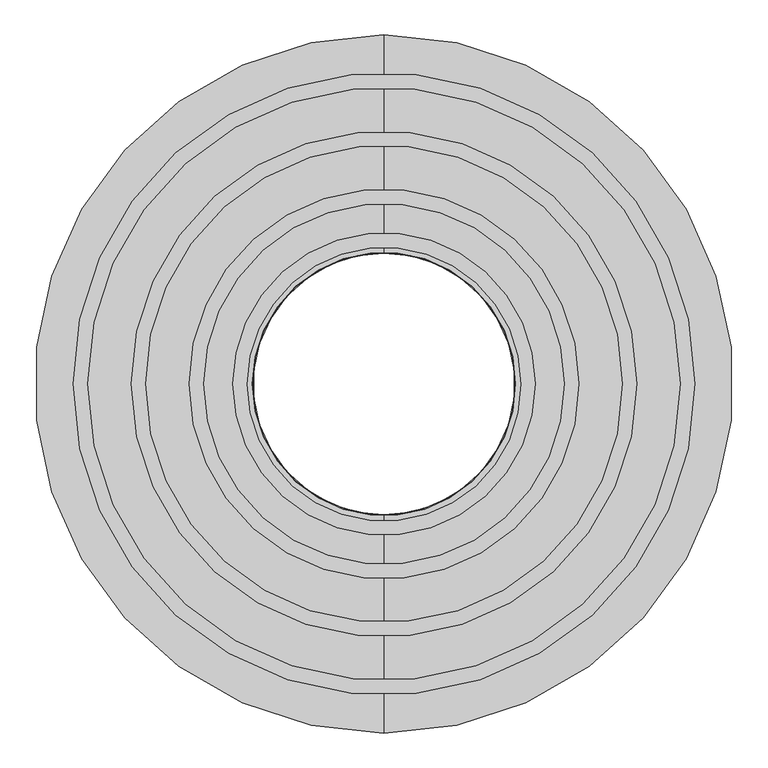
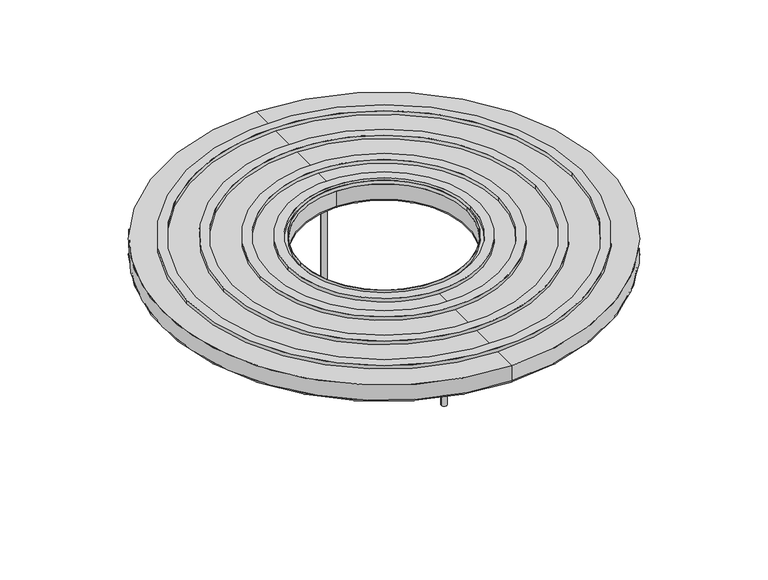
"""IFC4 building model written with IfcOpenShell, lengths in millimetres: furniture geometry."""

from ifc_helpers import new_model, si_unit, point, frame, frame_2d, origin, origin_with_axes, origin_2d, place, context, project, spatial, polyline, circle_curve, ellipse_curve, trimmed, segment, composite_curve, outline, extrude, source, transform, mapped, element, save
from ifc_brep_helpers import plane_surface, cylinder_surface, revolved_surface, advanced_brep


def furniture_a6ca1c2c(model_context):
    return source(origin(), model_context, "Body", "SolidModel", [
        extrude(outline(composite_curve([segment(trimmed(circle_curve(origin_2d(), 534.3876113), [point((-534.3876113, 0.0))], [point((534.3876113, 0.0))], False, "CARTESIAN"), True, "CONTINUOUS"), segment(trimmed(circle_curve(origin_2d(), 534.3876113), [point((534.3876113, 0.0))], [point((-534.3876113, 0.0))], False, "CARTESIAN"), True, "CONTINUOUS")], self_intersect=False), holes=[composite_curve([segment(trimmed(circle_curve(origin_2d(), 509.2726287), [point((-509.2726287, 0.0))], [point((509.2726287, 0.0))], True, "CARTESIAN"), True, "CONTINUOUS"), segment(trimmed(circle_curve(origin_2d(), 509.2726287), [point((509.2726287, 0.0))], [point((-509.2726287, 0.0))], True, "CARTESIAN"), True, "CONTINUOUS")], self_intersect=False)]), frame((0.0, 0.0, 303.784), z_axis=(0.0, 0.0, 1.0), x_axis=(1.0, 0.0, 0.0)), (0.0, 0.0, 1.0), 10.16),
        extrude(outline(composite_curve([segment(trimmed(circle_curve(origin_2d(), 434.2718279), [point((-434.2718279, 0.0))], [point((434.2718279, 0.0))], False, "CARTESIAN"), True, "CONTINUOUS"), segment(trimmed(circle_curve(origin_2d(), 434.2718279), [point((434.2718279, 0.0))], [point((-434.2718279, 0.0))], False, "CARTESIAN"), True, "CONTINUOUS")], self_intersect=False), holes=[composite_curve([segment(trimmed(circle_curve(origin_2d(), 409.5810335), [point((-409.5810335, 0.0))], [point((409.5810335, 0.0))], True, "CARTESIAN"), True, "CONTINUOUS"), segment(trimmed(circle_curve(origin_2d(), 409.5810335), [point((409.5810335, 0.0))], [point((-409.5810335, 0.0))], True, "CARTESIAN"), True, "CONTINUOUS")], self_intersect=False)]), frame((0.0, 0.0, 303.784), z_axis=(0.0, 0.0, 1.0), x_axis=(1.0, 0.0, 0.0)), (0.0, 0.0, 1.0), 10.16),
        extrude(outline(composite_curve([segment(trimmed(circle_curve(origin_2d(), 334.8175195), [point((-334.8175195, 0.0))], [point((334.8175195, 0.0))], False, "CARTESIAN"), True, "CONTINUOUS"), segment(trimmed(circle_curve(origin_2d(), 334.8175195), [point((334.8175195, 0.0))], [point((-334.8175195, 0.0))], False, "CARTESIAN"), True, "CONTINUOUS")], self_intersect=False), holes=[composite_curve([segment(trimmed(circle_curve(origin_2d(), 309.7372415), [point((-309.7372415, 0.0))], [point((309.7372415, 0.0))], True, "CARTESIAN"), True, "CONTINUOUS"), segment(trimmed(circle_curve(origin_2d(), 309.7372415), [point((309.7372415, 0.0))], [point((-309.7372415, 0.0))], True, "CARTESIAN"), True, "CONTINUOUS")], self_intersect=False)]), frame((0.0, 0.0, 303.784), z_axis=(0.0, 0.0, 1.0), x_axis=(1.0, 0.0, 0.0)), (0.0, 0.0, 1.0), 10.16),
        extrude(outline(composite_curve([segment(trimmed(circle_curve(origin_2d(), 259.656326), [point((-259.656326, 0.0))], [point((259.656326, 0.0))], False, "CARTESIAN"), True, "CONTINUOUS"), segment(trimmed(circle_curve(origin_2d(), 259.656326), [point((259.656326, 0.0))], [point((-259.656326, 0.0))], False, "CARTESIAN"), True, "CONTINUOUS")], self_intersect=False), holes=[composite_curve([segment(trimmed(circle_curve(frame_2d((0.2368265, -0.7227263)), 235.0), [point((235.2368265, -0.7227263))], [point((-234.7631735, -0.7227263))], True, "CARTESIAN"), True, "CONTINUOUS"), segment(trimmed(circle_curve(frame_2d((0.2368265, -0.7227263)), 235.0), [point((-234.7631735, -0.7227263))], [point((235.2368265, -0.7227263))], True, "CARTESIAN"), True, "CONTINUOUS")], self_intersect=False)]), frame((0.0, 0.0, 303.784), z_axis=(0.0, 0.0, 1.0), x_axis=(1.0, 0.0, 0.0)), (0.0, 0.0, 1.0), 10.16),
        extrude(outline(composite_curve([segment(trimmed(circle_curve(origin_2d(), 226.0), [point((-226.0, 0.0))], [point((226.0, 0.0))], False, "CARTESIAN"), True, "CONTINUOUS"), segment(trimmed(circle_curve(origin_2d(), 226.0), [point((226.0, 0.0))], [point((-226.0, 0.0))], False, "CARTESIAN"), True, "CONTINUOUS")], self_intersect=False), holes=[composite_curve([segment(trimmed(circle_curve(origin_2d(), 225.0), [point((-225.0, 0.0))], [point((225.0, 0.0))], True, "CARTESIAN"), True, "CONTINUOUS"), segment(trimmed(circle_curve(origin_2d(), 225.0), [point((225.0, 0.0))], [point((-225.0, 0.0))], True, "CARTESIAN"), True, "CONTINUOUS")], self_intersect=False)]), frame((0.0, 0.0, 303.784), z_axis=(0.0, 0.0, 1.0), x_axis=(1.0, 0.0, 0.0)), (0.0, 0.0, 1.0), 10.16),
        extrude(outline(composite_curve([segment(trimmed(circle_curve(frame_2d((282.194, 0.0)), 7.62), [point((282.194, 7.62))], [point((282.194, -7.62))], False, "CARTESIAN"), True, "CONTINUOUS"), segment(trimmed(circle_curve(frame_2d((282.194, 0.0)), 7.62), [point((282.194, -7.62))], [point((282.194, 7.62))], False, "CARTESIAN"), True, "CONTINUOUS")], self_intersect=False)), origin_with_axes(), (0.0, 0.0, 1.0), 256.54),
        extrude(outline(composite_curve([segment(trimmed(circle_curve(frame_2d((0.0, -282.194)), 7.62), [point((7.62, -282.194))], [point((-7.62, -282.194))], False, "CARTESIAN"), True, "CONTINUOUS"), segment(trimmed(circle_curve(frame_2d((0.0, -282.194)), 7.62), [point((-7.62, -282.194))], [point((7.62, -282.194))], False, "CARTESIAN"), True, "CONTINUOUS")], self_intersect=False)), origin_with_axes(), (0.0, 0.0, 1.0), 256.54),
        extrude(outline(composite_curve([segment(trimmed(circle_curve(frame_2d((-282.194, 0.0)), 7.62), [point((-282.194, -7.62))], [point((-282.194, 7.62))], False, "CARTESIAN"), True, "CONTINUOUS"), segment(trimmed(circle_curve(frame_2d((-282.194, 0.0)), 7.62), [point((-282.194, 7.62))], [point((-282.194, -7.62))], False, "CARTESIAN"), True, "CONTINUOUS")], self_intersect=False)), origin_with_axes(), (0.0, 0.0, 1.0), 256.54),
        advanced_brep(
        [(0.0, -225.044, 260.35), (0.0, 225.044, 260.35), (0.0, 225.044, 303.784), (0.0, -225.044, 303.784), (0.0, -231.394, 254.0), (0.0, 231.394, 254.0), (0.0, -593.598, 254.0), (0.0, 593.598, 254.0), (0.0, -599.948, 260.35), (0.0, 599.948, 260.35), (0.0, -599.948, 303.784), (0.0, 599.948, 303.784)],
        [
            (0, 1, circle_curve(frame((0.0, 0.0, 260.35), z_axis=(0.0, 0.0, -1.0), x_axis=(0.0, 1.0, 0.0)), 225.044)),
            (1, 2),
            (2, 3, circle_curve(frame((0.0, 0.0, 303.784), z_axis=(0.0, 0.0, 1.0), x_axis=(0.0, 1.0, 0.0)), 225.044)),
            (3, 0),
            (1, 0, circle_curve(frame((0.0, 0.0, 260.35), z_axis=(0.0, 0.0, -1.0), x_axis=(0.0, 1.0, 0.0)), 225.044)),
            (3, 2, circle_curve(frame((0.0, 0.0, 303.784), z_axis=(0.0, 0.0, 1.0), x_axis=(0.0, 1.0, 0.0)), 225.044)),
            (4, 5, circle_curve(frame((0.0, 0.0, 254.0), z_axis=(0.0, 0.0, -1.0), x_axis=(0.0, 1.0, 0.0)), 231.394)),
            (5, 1, circle_curve(frame((0.0, 231.394, 260.35), z_axis=(-1.0, 0.0, 0.0), x_axis=(0.0, 1.0, 0.0)), 6.35)),
            (0, 4, circle_curve(frame((0.0, -231.394, 260.35), z_axis=(-1.0, 0.0, 0.0), x_axis=(0.0, -1.0, 0.0)), 6.35)),
            (5, 4, circle_curve(frame((0.0, 0.0, 254.0), z_axis=(0.0, 0.0, -1.0), x_axis=(0.0, 1.0, 0.0)), 231.394)),
            (6, 7, circle_curve(frame((0.0, 0.0, 254.0), z_axis=(0.0, 0.0, -1.0), x_axis=(0.0, 1.0, 0.0)), 593.598)),
            (7, 5),
            (4, 6),
            (7, 6, circle_curve(frame((0.0, 0.0, 254.0), z_axis=(0.0, 0.0, -1.0), x_axis=(0.0, 1.0, 0.0)), 593.598)),
            (8, 9, circle_curve(frame((0.0, 0.0, 260.35), z_axis=(0.0, 0.0, -1.0), x_axis=(0.0, 1.0, 0.0)), 599.948)),
            (9, 7, circle_curve(frame((0.0, 593.598, 260.35), z_axis=(-1.0, 0.0, 0.0), x_axis=(0.0, 1.0, 0.0)), 6.35)),
            (6, 8, circle_curve(frame((0.0, -593.598, 260.35), z_axis=(-1.0, 0.0, 0.0), x_axis=(0.0, -1.0, 0.0)), 6.35)),
            (9, 8, circle_curve(frame((0.0, 0.0, 260.35), z_axis=(0.0, 0.0, -1.0), x_axis=(0.0, 1.0, 0.0)), 599.948)),
            (10, 11, circle_curve(frame((0.0, 0.0, 303.784), z_axis=(0.0, 0.0, -1.0), x_axis=(0.0, 1.0, 0.0)), 599.948)),
            (11, 9),
            (8, 10),
            (11, 10, circle_curve(frame((0.0, 0.0, 303.784), z_axis=(0.0, 0.0, -1.0), x_axis=(0.0, 1.0, 0.0)), 599.948)),
            (2, 11),
            (10, 3),
        ],
        [
            revolved_surface(polyline([(0.0, 225.044, 303.784), (0.0, 225.044, 260.35)]), (0.0, 0.0, 633.984), (0.0, 0.0, 1.0)),
            revolved_surface(trimmed(ellipse_curve(frame((0.0, 231.394, 260.35), z_axis=(1.0, 0.0, 0.0), x_axis=(0.0, 1.0, 0.0)), 6.35, 6.35), [point((0.0, 225.044, 260.35))], [point((0.0, 231.394, 254.0))], True, "CARTESIAN"), (0.0, 0.0, 633.984), (0.0, 0.0, 1.0)),
            plane_surface(frame((0.0, 0.0, 254.0), z_axis=(0.0, 0.0, -1.0), x_axis=(0.0, 1.0, 0.0))),
            revolved_surface(trimmed(ellipse_curve(frame((0.0, 593.598, 260.35), z_axis=(1.0, 0.0, 0.0), x_axis=(0.0, 1.0, 0.0)), 6.35, 6.35), [point((0.0, 593.598, 254.0))], [point((0.0, 599.948, 260.35))], True, "CARTESIAN"), (0.0, 0.0, 633.984), (0.0, 0.0, 1.0)),
            cylinder_surface(frame((0.0, 0.0, 633.984), z_axis=(0.0, 0.0, 1.0), x_axis=(0.0, 1.0, 0.0)), 599.948),
            plane_surface(frame((0.0, 0.0, 303.784), z_axis=(0.0, 0.0, 1.0), x_axis=(0.0, 1.0, 0.0))),
        ],
        [
            (0, [[1, 2, 3, 4]]),
            (0, [[5, -4, 6, -2]]),
            (1, [[7, 8, -1, 9]]),
            (1, [[10, -9, -5, -8]]),
            (2, [[11, 12, -7, 13]]),
            (2, [[14, -13, -10, -12]]),
            (3, [[15, 16, -11, 17]]),
            (3, [[18, -17, -14, -16]]),
            (4, [[19, 20, -15, 21]]),
            (4, [[22, -21, -18, -20]]),
            (5, [[-3, 23, -19, 24]]),
            (5, [[-6, -24, -22, -23]]),
        ],
    ),
        extrude(outline(composite_curve([segment(trimmed(circle_curve(frame_2d((0.0, 282.194)), 7.62), [point((-7.62, 282.194))], [point((7.62, 282.194))], False, "CARTESIAN"), True, "CONTINUOUS"), segment(trimmed(circle_curve(frame_2d((0.0, 282.194)), 7.62), [point((7.62, 282.194))], [point((-7.62, 282.194))], False, "CARTESIAN"), True, "CONTINUOUS")], self_intersect=False)), origin_with_axes(), (0.0, 0.0, 1.0), 256.54),
    ])


if __name__ == "__main__":
    model = new_model("IFC4")
    model_context = context("Model", 3, world=origin())
    ifc_project = project(units=[si_unit("LENGTHUNIT", "METRE", prefix="MILLI")], contexts=[model_context])
    site = spatial("IfcSite", under=ifc_project)
    building = spatial("IfcBuilding", under=site)
    placement = place(None, origin())
    furniture_shape = furniture_a6ca1c2c(model_context)
    element("IfcFurniture", 1, at=placement, inside=building, context=model_context, shape_type="MappedRepresentation", body=[
        mapped(furniture_shape, transform((0.0, 0.0, 0.0), x_axis=(1.0, 0.0, 0.0), y_axis=(0.0, 1.0, 0.0), z_axis=(0.0, 0.0, 1.0))),
    ])
    save(model, "model.ifc")
